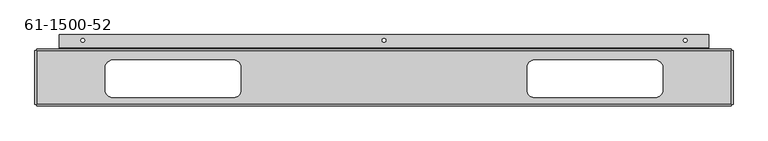
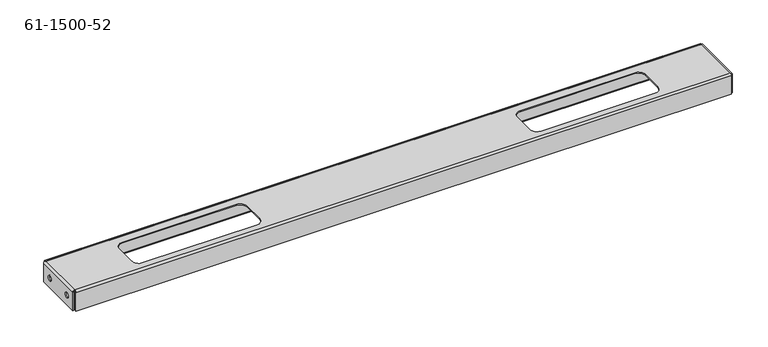
"""IFC4 building model written with IfcOpenShell, lengths in millimetres: proxy geometry, 61-1500-52."""

from ifc_helpers import new_model, si_unit, frame, origin, place, context, project, spatial, polyline, circle_curve, source, transform, mapped, element, save
from ifc_brep_helpers import plane_surface, cylinder_surface, revolved_surface, advanced_brep


def proxy_61_1500_52_210c84d2(model_context):
    return source(origin(), model_context, "Body", "AdvancedBrep", [
        advanced_brep(
        [(0.0, -22.2758, -23.34006), (1.6129, -22.2758, -23.34006), (1.6129, -22.2758, -13.81506), (0.0, -22.2758, -13.81506), (1175.78378, -22.2758, -23.34006), (1177.39668, -22.2758, -23.34006), (1177.39668, -22.2758, -13.81506), (1175.78378, -22.2758, -13.81506), (0.0, -74.5617, -23.34006), (1.6129, -74.5617, -23.34006), (1.6129, -74.5617, -13.81506), (0.0, -74.5617, -13.81506), (1175.78378, -74.5617, -23.34006), (1177.39668, -74.5617, -23.34006), (1177.39668, -74.5617, -13.81506), (1175.78378, -74.5617, -13.81506), (1099.87334, 14.2621, -36.4871), (1099.87334, 14.2621, -34.8742), (1093.52334, 14.2621, -34.8742), (1093.52334, 14.2621, -36.4871), (83.87334, 14.2621, -36.4871), (83.87334, 14.2621, -34.8742), (77.52334, 14.2621, -34.8742), (77.52334, 14.2621, -36.4871), (591.87334, 14.2621, -36.4871), (591.87334, 14.2621, -34.8742), (585.52334, 14.2621, -34.8742), (585.52334, 14.2621, -36.4871), (131.49834, -18.9611, 0.0), (334.69834, -18.9611, 0.0), (334.69834, -18.9611, 1.6129), (131.49834, -18.9611, 1.6129), (118.79834, -31.6611, 0.0), (118.79834, -31.6611, 1.6129), (118.79834, -69.7611, 0.0), (118.79834, -69.7611, 1.6129), (131.49834, -82.4611, 0.0), (131.49834, -82.4611, 1.6129), (334.69834, -82.4611, 0.0), (334.69834, -82.4611, 1.6129), (347.39834, -69.7611, 0.0), (347.39834, -69.7611, 1.6129), (347.39834, -31.6611, 0.0), (347.39834, -31.6611, 1.6129), (842.69834, -18.9611, 0.0), (1045.89834, -18.9611, 0.0), (1045.89834, -18.9611, 1.6129), (842.69834, -18.9611, 1.6129), (829.99834, -31.6611, 0.0), (829.99834, -31.6611, 1.6129), (829.99834, -69.7611, 0.0), (829.99834, -69.7611, 1.6129), (842.69834, -82.4611, 0.0), (842.69834, -82.4611, 1.6129), (1045.89834, -82.4611, 0.0), (1045.89834, -82.4611, 1.6129), (1058.59834, -69.7611, 0.0), (1058.59834, -69.7611, 1.6129), (1058.59834, -31.6611, 0.0), (1058.59834, -31.6611, 1.6129), (41.3258, 1.6129, -36.4871), (1136.07088, 1.6129, -36.4871), (1136.07088, -1.6129, -33.2613), (41.3258, -1.6129, -33.2613), (1136.07088, 1.6129, -34.8742), (41.3258, 1.6129, -34.8742), (41.3258, 0.0, -33.2613), (1136.07088, 0.0, -33.2613), (3.2258, -1.6129, -33.2613), (3.2258, 0.0, -33.2613), (1174.17088, 0.0, -33.2613), (1174.17088, -1.6129, -33.2613), (1174.17088, 0.0, -1.6129), (1174.17088, -3.2258, 1.6129), (1174.17088, -3.2258, 0.0), (1174.17088, -1.6129, -1.6129), (3.2258, -1.6129, -1.6129), (3.2258, 0.0, -1.6129), (1174.17088, -96.8375, -36.4871), (1174.17088, -96.8375, -1.6129), (3.2258, -96.8375, -1.6129), (3.2258, -96.8375, -36.4871), (1174.17088, -95.2246, -36.4871), (3.2258, -95.2246, -36.4871), (1177.39668, -93.6117, -1.6129), (1177.39668, -3.2258, -1.6129), (1174.17088, -93.6117, 1.6129), (1175.78378, -3.2258, -1.6129), (1175.78378, -93.6117, -1.6129), (1174.17088, -93.6117, 0.0), (1174.17088, -95.2246, -1.6129), (3.2258, -3.2258, 0.0), (3.2258, -93.6117, 1.6129), (3.2258, -93.6117, 0.0), (0.0, -3.2258, -1.6129), (0.0, -93.6117, -1.6129), (3.2258, -3.2258, 1.6129), (1.6129, -93.6117, -1.6129), (1.6129, -3.2258, -1.6129), (3.2258, -95.2246, -1.6129), (0.0, -93.6117, -36.4871), (1.6129, -93.6117, -36.4871), (0.0, -3.2258, -36.4871), (1.6129, -3.2258, -36.4871), (1177.39668, -3.2258, -36.4871), (1175.78378, -3.2258, -36.4871), (1177.39668, -93.6117, -36.4871), (1175.78378, -93.6117, -36.4871), (1136.07088, 23.7871, -36.4871), (1136.07088, 23.7871, -34.8742), (41.3258, 23.7871, -36.4871), (41.3258, 23.7871, -34.8742)],
        [
            (0, 1),
            (1, 2, circle_curve(frame((1.6129, -22.2758, -18.57756), z_axis=(1.0, 0.0, 0.0), x_axis=(0.0, 0.0, -1.0)), 4.7625)),
            (2, 3),
            (3, 0, circle_curve(frame((0.0, -22.2758, -18.57756), z_axis=(-1.0, 0.0, 0.0), x_axis=(0.0, 0.0, -1.0)), 4.7625)),
            (4, 5),
            (5, 6, circle_curve(frame((1177.39668, -22.2758, -18.57756), z_axis=(1.0, 0.0, 0.0), x_axis=(0.0, 0.0, -1.0)), 4.7625)),
            (6, 7),
            (7, 4, circle_curve(frame((1175.78378, -22.2758, -18.57756), z_axis=(-1.0, 0.0, 0.0), x_axis=(0.0, 0.0, -1.0)), 4.7625)),
            (8, 9),
            (9, 10, circle_curve(frame((1.6129, -74.5617, -18.57756), z_axis=(1.0, 0.0, 0.0), x_axis=(0.0, 0.0, -1.0)), 4.7625)),
            (10, 11),
            (11, 8, circle_curve(frame((0.0, -74.5617, -18.57756), z_axis=(-1.0, 0.0, 0.0), x_axis=(0.0, 0.0, -1.0)), 4.7625)),
            (12, 13),
            (13, 14, circle_curve(frame((1177.39668, -74.5617, -18.57756), z_axis=(1.0, 0.0, 0.0), x_axis=(0.0, 0.0, -1.0)), 4.7625)),
            (14, 15),
            (15, 12, circle_curve(frame((1175.78378, -74.5617, -18.57756), z_axis=(-1.0, 0.0, 0.0), x_axis=(0.0, 0.0, -1.0)), 4.7625)),
            (16, 17),
            (17, 18, circle_curve(frame((1096.69834, 14.2621, -34.8742), z_axis=(0.0, 0.0, 1.0), x_axis=(1.0, 0.0, 0.0)), 3.175)),
            (18, 19),
            (19, 16, circle_curve(frame((1096.69834, 14.2621, -36.4871), z_axis=(0.0, 0.0, -1.0), x_axis=(1.0, 0.0, 0.0)), 3.175)),
            (20, 21),
            (21, 22, circle_curve(frame((80.69834, 14.2621, -34.8742), z_axis=(0.0, 0.0, 1.0), x_axis=(1.0, 0.0, 0.0)), 3.175)),
            (22, 23),
            (23, 20, circle_curve(frame((80.69834, 14.2621, -36.4871), z_axis=(0.0, 0.0, -1.0), x_axis=(1.0, 0.0, 0.0)), 3.175)),
            (24, 25),
            (25, 26, circle_curve(frame((588.69834, 14.2621, -34.8742), z_axis=(0.0, 0.0, 1.0), x_axis=(1.0, 0.0, 0.0)), 3.175)),
            (26, 27),
            (27, 24, circle_curve(frame((588.69834, 14.2621, -36.4871), z_axis=(0.0, 0.0, -1.0), x_axis=(1.0, 0.0, 0.0)), 3.175)),
            (24, 27, circle_curve(frame((588.69834, 14.2621, -36.4871), z_axis=(0.0, 0.0, -1.0), x_axis=(1.0, 0.0, 0.0)), 3.175)),
            (26, 25, circle_curve(frame((588.69834, 14.2621, -34.8742), z_axis=(0.0, 0.0, 1.0), x_axis=(1.0, 0.0, 0.0)), 3.175)),
            (20, 23, circle_curve(frame((80.69834, 14.2621, -36.4871), z_axis=(0.0, 0.0, -1.0), x_axis=(1.0, 0.0, 0.0)), 3.175)),
            (22, 21, circle_curve(frame((80.69834, 14.2621, -34.8742), z_axis=(0.0, 0.0, 1.0), x_axis=(1.0, 0.0, 0.0)), 3.175)),
            (16, 19, circle_curve(frame((1096.69834, 14.2621, -36.4871), z_axis=(0.0, 0.0, -1.0), x_axis=(1.0, 0.0, 0.0)), 3.175)),
            (18, 17, circle_curve(frame((1096.69834, 14.2621, -34.8742), z_axis=(0.0, 0.0, 1.0), x_axis=(1.0, 0.0, 0.0)), 3.175)),
            (28, 29),
            (29, 30),
            (30, 31),
            (31, 28),
            (32, 28, circle_curve(frame((131.49834, -31.6611, 0.0), z_axis=(0.0, 0.0, -1.0), x_axis=(0.0, -1.0, 0.0)), 12.7)),
            (31, 33, circle_curve(frame((131.49834, -31.6611, 1.6129), z_axis=(0.0, 0.0, 1.0), x_axis=(0.0, -1.0, 0.0)), 12.7)),
            (33, 32),
            (34, 32),
            (33, 35),
            (35, 34),
            (36, 34, circle_curve(frame((131.49834, -69.7611, 0.0), z_axis=(0.0, 0.0, -1.0), x_axis=(1.0, 0.0, 0.0)), 12.7)),
            (35, 37, circle_curve(frame((131.49834, -69.7611, 1.6129), z_axis=(0.0, 0.0, 1.0), x_axis=(1.0, 0.0, 0.0)), 12.7)),
            (37, 36),
            (38, 36),
            (37, 39),
            (39, 38),
            (40, 38, circle_curve(frame((334.69834, -69.7611, 0.0), z_axis=(0.0, 0.0, -1.0), x_axis=(0.0, 1.0, 0.0)), 12.7)),
            (39, 41, circle_curve(frame((334.69834, -69.7611, 1.6129), z_axis=(0.0, 0.0, 1.0), x_axis=(0.0, 1.0, 0.0)), 12.7)),
            (41, 40),
            (42, 40),
            (41, 43),
            (43, 42),
            (29, 42, circle_curve(frame((334.69834, -31.6611, 0.0), z_axis=(0.0, 0.0, -1.0), x_axis=(-1.0, 0.0, 0.0)), 12.7)),
            (43, 30, circle_curve(frame((334.69834, -31.6611, 1.6129), z_axis=(0.0, 0.0, 1.0), x_axis=(-1.0, 0.0, 0.0)), 12.7)),
            (44, 45),
            (45, 46),
            (46, 47),
            (47, 44),
            (48, 44, circle_curve(frame((842.69834, -31.6611, 0.0), z_axis=(0.0, 0.0, -1.0), x_axis=(0.0, -1.0, 0.0)), 12.7)),
            (47, 49, circle_curve(frame((842.69834, -31.6611, 1.6129), z_axis=(0.0, 0.0, 1.0), x_axis=(0.0, -1.0, 0.0)), 12.7)),
            (49, 48),
            (50, 48),
            (49, 51),
            (51, 50),
            (52, 50, circle_curve(frame((842.69834, -69.7611, 0.0), z_axis=(0.0, 0.0, -1.0), x_axis=(1.0, 0.0, 0.0)), 12.7)),
            (51, 53, circle_curve(frame((842.69834, -69.7611, 1.6129), z_axis=(0.0, 0.0, 1.0), x_axis=(1.0, 0.0, 0.0)), 12.7)),
            (53, 52),
            (54, 52),
            (53, 55),
            (55, 54),
            (56, 54, circle_curve(frame((1045.89834, -69.7611, 0.0), z_axis=(0.0, 0.0, -1.0), x_axis=(0.0, 1.0, 0.0)), 12.7)),
            (55, 57, circle_curve(frame((1045.89834, -69.7611, 1.6129), z_axis=(0.0, 0.0, 1.0), x_axis=(0.0, 1.0, 0.0)), 12.7)),
            (57, 56),
            (58, 56),
            (57, 59),
            (59, 58),
            (45, 58, circle_curve(frame((1045.89834, -31.6611, 0.0), z_axis=(0.0, 0.0, -1.0), x_axis=(-1.0, 0.0, 0.0)), 12.7)),
            (59, 46, circle_curve(frame((1045.89834, -31.6611, 1.6129), z_axis=(0.0, 0.0, 1.0), x_axis=(-1.0, 0.0, 0.0)), 12.7)),
            (12, 15, circle_curve(frame((1175.78378, -74.5617, -18.57756), z_axis=(-1.0, 0.0, 0.0), x_axis=(0.0, 0.0, -1.0)), 4.7625)),
            (14, 13, circle_curve(frame((1177.39668, -74.5617, -18.57756), z_axis=(1.0, 0.0, 0.0), x_axis=(0.0, 0.0, -1.0)), 4.7625)),
            (8, 11, circle_curve(frame((0.0, -74.5617, -18.57756), z_axis=(-1.0, 0.0, 0.0), x_axis=(0.0, 0.0, -1.0)), 4.7625)),
            (10, 9, circle_curve(frame((1.6129, -74.5617, -18.57756), z_axis=(1.0, 0.0, 0.0), x_axis=(0.0, 0.0, -1.0)), 4.7625)),
            (4, 7, circle_curve(frame((1175.78378, -22.2758, -18.57756), z_axis=(-1.0, 0.0, 0.0), x_axis=(0.0, 0.0, -1.0)), 4.7625)),
            (6, 5, circle_curve(frame((1177.39668, -22.2758, -18.57756), z_axis=(1.0, 0.0, 0.0), x_axis=(0.0, 0.0, -1.0)), 4.7625)),
            (0, 3, circle_curve(frame((0.0, -22.2758, -18.57756), z_axis=(-1.0, 0.0, 0.0), x_axis=(0.0, 0.0, -1.0)), 4.7625)),
            (2, 1, circle_curve(frame((1.6129, -22.2758, -18.57756), z_axis=(1.0, 0.0, 0.0), x_axis=(0.0, 0.0, -1.0)), 4.7625)),
            (60, 61),
            (61, 62, circle_curve(frame((1136.07088, 1.6129, -33.2613), z_axis=(-1.0, 0.0, 0.0), x_axis=(0.0, -1.0, 0.0)), 3.2258)),
            (62, 63),
            (63, 60, circle_curve(frame((41.3258, 1.6129, -33.2613), z_axis=(1.0, 0.0, 0.0), x_axis=(0.0, -1.0, 0.0)), 3.2258)),
            (64, 65),
            (65, 66, circle_curve(frame((41.3258, 1.6129, -33.2613), z_axis=(-1.0, 0.0, 0.0), x_axis=(0.0, -1.0, 0.0)), 1.6129)),
            (66, 67),
            (67, 64, circle_curve(frame((1136.07088, 1.6129, -33.2613), z_axis=(1.0, 0.0, 0.0), x_axis=(0.0, -1.0, 0.0)), 1.6129)),
            (66, 63),
            (63, 68),
            (68, 69),
            (69, 66),
            (62, 67),
            (67, 70),
            (70, 71),
            (71, 62),
            (70, 72),
            (72, 73, circle_curve(frame((1174.17088, -3.2258, -1.6129), z_axis=(1.0, 0.0, 0.0), x_axis=(0.0, 0.0, 1.0)), 3.2258)),
            (73, 74),
            (74, 75, circle_curve(frame((1174.17088, -3.2258, -1.6129), z_axis=(-1.0, 0.0, 0.0), x_axis=(0.0, 0.0, 1.0)), 1.6129)),
            (75, 71),
            (75, 76),
            (76, 68),
            (69, 77),
            (77, 72),
            (78, 79),
            (79, 80),
            (80, 81),
            (81, 78),
            (82, 78),
            (81, 83),
            (83, 82),
            (84, 85),
            (85, 73, circle_curve(frame((1174.17088, -3.2258, -1.6129), z_axis=(0.0, -1.0, 0.0), x_axis=(0.0, 0.0, 1.0)), 3.2258)),
            (73, 86),
            (86, 84, circle_curve(frame((1174.17088, -93.6117, -1.6129), z_axis=(0.0, 1.0, 0.0), x_axis=(0.0, 0.0, 1.0)), 3.2258)),
            (87, 88),
            (88, 89, circle_curve(frame((1174.17088, -93.6117, -1.6129), z_axis=(0.0, -1.0, 0.0), x_axis=(0.0, 0.0, 1.0)), 1.6129)),
            (89, 74),
            (74, 87, circle_curve(frame((1174.17088, -3.2258, -1.6129), z_axis=(0.0, 1.0, 0.0), x_axis=(0.0, 0.0, 1.0)), 1.6129)),
            (89, 86),
            (86, 79, circle_curve(frame((1174.17088, -93.6117, -1.6129), z_axis=(1.0, 0.0, 0.0), x_axis=(0.0, 0.0, 1.0)), 3.2258)),
            (82, 90),
            (90, 89, circle_curve(frame((1174.17088, -93.6117, -1.6129), z_axis=(-1.0, 0.0, 0.0), x_axis=(0.0, 0.0, 1.0)), 1.6129)),
            (74, 91),
            (91, 76, circle_curve(frame((3.2258, -3.2258, -1.6129), z_axis=(-1.0, 0.0, 0.0), x_axis=(0.0, 0.0, 1.0)), 1.6129)),
            (86, 92),
            (92, 80, circle_curve(frame((3.2258, -93.6117, -1.6129), z_axis=(1.0, 0.0, 0.0), x_axis=(0.0, 0.0, 1.0)), 3.2258)),
            (89, 93),
            (93, 91),
            (94, 95),
            (95, 92, circle_curve(frame((3.2258, -93.6117, -1.6129), z_axis=(0.0, 1.0, 0.0), x_axis=(0.0, 0.0, 1.0)), 3.2258)),
            (92, 96),
            (96, 94, circle_curve(frame((3.2258, -3.2258, -1.6129), z_axis=(0.0, -1.0, 0.0), x_axis=(0.0, 0.0, 1.0)), 3.2258)),
            (97, 98),
            (98, 91, circle_curve(frame((3.2258, -3.2258, -1.6129), z_axis=(0.0, 1.0, 0.0), x_axis=(0.0, 0.0, 1.0)), 1.6129)),
            (93, 97, circle_curve(frame((3.2258, -93.6117, -1.6129), z_axis=(0.0, -1.0, 0.0), x_axis=(0.0, 0.0, 1.0)), 1.6129)),
            (91, 96),
            (96, 77, circle_curve(frame((3.2258, -3.2258, -1.6129), z_axis=(-1.0, 0.0, 0.0), x_axis=(0.0, 0.0, 1.0)), 3.2258)),
            (92, 93),
            (93, 99, circle_curve(frame((3.2258, -93.6117, -1.6129), z_axis=(1.0, 0.0, 0.0), x_axis=(0.0, 0.0, 1.0)), 1.6129)),
            (99, 83),
            (96, 73),
            (90, 99),
            (95, 100),
            (100, 101),
            (101, 97),
            (94, 102),
            (102, 100),
            (98, 103),
            (103, 102),
            (103, 101),
            (85, 104),
            (104, 105),
            (105, 87),
            (84, 106),
            (106, 104),
            (88, 107),
            (107, 106),
            (107, 105),
            (61, 108),
            (108, 109),
            (109, 64),
            (60, 110),
            (110, 108),
            (65, 111),
            (111, 110),
            (111, 109),
        ],
        [
            revolved_surface(polyline([(1.6129000000000007, -22.2758, -23.340059999999998), (0.0, -22.2758, -23.340059999999998)]), (-6.7759621, -22.2758, -18.57756), (1.0, 0.0, 0.0)),
            revolved_surface(polyline([(1177.39668, -22.2758, -23.340059999999998), (1175.78378, -22.2758, -23.340059999999998)]), (-6.7759621, -22.2758, -18.57756), (1.0, 0.0, 0.0)),
            revolved_surface(polyline([(1.6129000000000007, -74.5617, -23.340059999999998), (0.0, -74.5617, -23.340059999999998)]), (-6.7759621, -74.5617, -18.57756), (1.0, 0.0, 0.0)),
            revolved_surface(polyline([(1177.39668, -74.5617, -23.340059999999998), (1175.78378, -74.5617, -23.340059999999998)]), (-6.7759621, -74.5617, -18.57756), (1.0, 0.0, 0.0)),
            revolved_surface(polyline([(1099.8733399999999, 14.2621, -34.8742), (1099.8733399999999, 14.2621, -36.4871)]), (1096.69834, 14.2621, -44.3992), (0.0, 0.0, 1.0)),
            revolved_surface(polyline([(83.87334, 14.2621, -34.8742), (83.87334, 14.2621, -36.4871)]), (80.69834, 14.2621, -44.3992), (0.0, 0.0, 1.0)),
            revolved_surface(polyline([(591.87334, 14.2621, -34.8742), (591.87334, 14.2621, -36.4871)]), (588.69834, 14.2621, -44.3992), (0.0, 0.0, 1.0)),
            plane_surface(frame((233.09834, -18.9611, 1.6129), z_axis=(0.0, -1.0, 0.0), x_axis=(0.0, 0.0, 1.0))),
            revolved_surface(polyline([(131.49834, -44.3611, 0.0), (131.49834, -44.3611, 1.6129)]), (131.49834, -31.6611, 1.6129), (0.0, 0.0, -1.0)),
            plane_surface(frame((118.79834, -31.6611, 1.6129), z_axis=(1.0, 0.0, 0.0), x_axis=(0.0, 0.0, 1.0))),
            revolved_surface(polyline([(144.19834, -69.7611, 0.0), (144.19834, -69.7611, 1.6129)]), (131.49834, -69.7611, 1.6129), (0.0, 0.0, -1.0)),
            plane_surface(frame((131.49834, -82.4611, 1.6129), z_axis=(0.0, 1.0, 0.0), x_axis=(0.0, 0.0, -1.0))),
            revolved_surface(polyline([(334.69834, -57.061099999999996, 0.0), (334.69834, -57.061099999999996, 1.6129)]), (334.69834, -69.7611, 1.6129), (0.0, 0.0, -1.0)),
            plane_surface(frame((347.39834, -69.7611, 1.6129), z_axis=(-1.0, 0.0, 0.0), x_axis=(0.0, 0.0, -1.0))),
            revolved_surface(polyline([(321.99834, -31.6611, 0.0), (321.99834, -31.6611, 1.6129)]), (334.69834, -31.6611, 1.6129), (0.0, 0.0, -1.0)),
            plane_surface(frame((944.29834, -18.9611, 1.6129), z_axis=(0.0, -1.0, 0.0), x_axis=(0.0, 0.0, 1.0))),
            revolved_surface(polyline([(842.69834, -44.3611, 0.0), (842.69834, -44.3611, 1.6129)]), (842.69834, -31.6611, 1.6129), (0.0, 0.0, -1.0)),
            plane_surface(frame((829.99834, -31.6611, 1.6129), z_axis=(1.0, 0.0, 0.0), x_axis=(0.0, 0.0, 1.0))),
            revolved_surface(polyline([(855.3983400000001, -69.7611, 0.0), (855.3983400000001, -69.7611, 1.6129)]), (842.69834, -69.7611, 1.6129), (0.0, 0.0, -1.0)),
            plane_surface(frame((842.69834, -82.4611, 1.6129), z_axis=(0.0, 1.0, 0.0), x_axis=(0.0, 0.0, -1.0))),
            revolved_surface(polyline([(1045.89834, -57.061099999999996, 0.0), (1045.89834, -57.061099999999996, 1.6129)]), (1045.89834, -69.7611, 1.6129), (0.0, 0.0, -1.0)),
            plane_surface(frame((1058.59834, -69.7611, 1.6129), z_axis=(-1.0, 0.0, 0.0), x_axis=(0.0, 0.0, -1.0))),
            revolved_surface(polyline([(1033.19834, -31.6611, 0.0), (1033.19834, -31.6611, 1.6129)]), (1045.89834, -31.6611, 1.6129), (0.0, 0.0, -1.0)),
            cylinder_surface(frame((588.69834, 1.6129, -33.2613), z_axis=(1.0, 0.0, 0.0), x_axis=(0.0, -1.0, 0.0)), 3.2258),
            revolved_surface(polyline([(1136.07088, 0.0, -33.2613), (41.32579999999996, 0.0, -33.2613)]), (588.69834, 1.6129, -33.2613), (1.0, 0.0, 0.0)),
            plane_surface(frame((1136.07088, -1.6129, -33.2613), z_axis=(0.0, 0.0, -1.0), x_axis=(1.0, 0.0, 0.0))),
            plane_surface(frame((1174.17088, -3.2258, 1.6129), z_axis=(1.0, 0.0, 0.0), x_axis=(0.0, 0.0, 1.0))),
            plane_surface(frame((588.69834, -1.6129, -17.4371), z_axis=(0.0, -1.0, 0.0), x_axis=(0.0, 0.0, 1.0))),
            plane_surface(frame((588.69834, 0.0, -17.4371), z_axis=(0.0, 1.0, 0.0), x_axis=(0.0, 0.0, 1.0))),
            plane_surface(frame((588.69834, -96.8375, -17.4371), z_axis=(0.0, -1.0, 0.0), x_axis=(0.0, 0.0, 1.0))),
            plane_surface(frame((0.0, -96.8375, -36.4871), z_axis=(0.0, 0.0, -1.0), x_axis=(-1.0, 0.0, 0.0))),
            cylinder_surface(frame((1174.17088, -48.41875, -1.6129), z_axis=(0.0, 1.0, 0.0), x_axis=(0.0, 0.0, 1.0)), 3.2258),
            revolved_surface(polyline([(1174.17088, -3.2257999999999996, 0.0), (1174.17088, -93.6117, 0.0)]), (1174.17088, -48.41875, -1.6129), (0.0, 1.0, 0.0)),
            revolved_surface(polyline([(3.2258000000000493, -3.2258, 0.0), (1174.17088, -3.2258, 0.0)]), (588.69834, -3.2258, -1.6129), (-1.0, 0.0, 0.0)),
            cylinder_surface(frame((588.69834, -93.6117, -1.6129), z_axis=(1.0, 0.0, 0.0), x_axis=(0.0, 0.0, 1.0)), 3.2258),
            plane_surface(frame((588.69834, -48.41875, 0.0), z_axis=(0.0, 0.0, -1.0), x_axis=(1.0, 0.0, 0.0))),
            cylinder_surface(frame((3.2258, -48.41875, -1.6129), z_axis=(0.0, -1.0, 0.0), x_axis=(0.0, 0.0, 1.0)), 3.2258),
            revolved_surface(polyline([(3.2258, -93.6117, 0.0), (3.2258, -3.2257999999999996, 0.0)]), (3.2258, -48.41875, -1.6129), (0.0, -1.0, 0.0)),
            plane_surface(frame((3.2258, -93.6117, 1.6129), z_axis=(-1.0, 0.0, 0.0), x_axis=(0.0, 0.0, -1.0))),
            cylinder_surface(frame((588.69834, -3.2258, -1.6129), z_axis=(-1.0, 0.0, 0.0), x_axis=(0.0, 0.0, 1.0)), 3.2258),
            revolved_surface(polyline([(1174.17088, -93.6117, 0.0), (3.2258000000000493, -93.6117, 0.0)]), (588.69834, -93.6117, -1.6129), (1.0, 0.0, 0.0)),
            plane_surface(frame((588.69834, -48.41875, 1.6129), z_axis=(0.0, 0.0, 1.0), x_axis=(1.0, 0.0, 0.0))),
            plane_surface(frame((588.69834, -95.2246, -17.4371), z_axis=(0.0, 1.0, 0.0), x_axis=(0.0, 0.0, 1.0))),
            plane_surface(frame((0.0, -93.6117, -36.4871), z_axis=(0.0, -1.0, 0.0), x_axis=(0.0, 0.0, -1.0))),
            plane_surface(frame((0.0, -48.41875, -17.4371), z_axis=(-1.0, 0.0, 0.0), x_axis=(0.0, 0.0, -1.0))),
            plane_surface(frame((0.0, -3.2258, 1.6129), z_axis=(0.0, 1.0, 0.0), x_axis=(0.0, 0.0, 1.0))),
            plane_surface(frame((0.0, -3.2258, -36.4871), z_axis=(0.0, 0.0, -1.0), x_axis=(-1.0, 0.0, 0.0))),
            plane_surface(frame((1.6129, -48.41875, -17.4371), z_axis=(1.0, 0.0, 0.0), x_axis=(0.0, 0.0, -1.0))),
            plane_surface(frame((1177.39668, -3.2258, -36.4871), z_axis=(0.0, 1.0, 0.0), x_axis=(0.0, 0.0, 1.0))),
            plane_surface(frame((1177.39668, -48.41875, -17.4371), z_axis=(1.0, 0.0, 0.0), x_axis=(0.0, 0.0, -1.0))),
            plane_surface(frame((1177.39668, -93.6117, 1.6129), z_axis=(0.0, -1.0, 0.0), x_axis=(0.0, 0.0, -1.0))),
            plane_surface(frame((1177.39668, -93.6117, -36.4871), z_axis=(0.0, 0.0, -1.0), x_axis=(-1.0, 0.0, 0.0))),
            plane_surface(frame((1175.78378, -48.41875, -17.4371), z_axis=(-1.0, 0.0, 0.0), x_axis=(0.0, 0.0, -1.0))),
            plane_surface(frame((1136.07088, 23.7871, -36.4871), z_axis=(1.0, 0.0, 0.0), x_axis=(0.0, 0.0, -1.0))),
            plane_surface(frame((588.69834, 11.0871, -36.4871), z_axis=(0.0, 0.0, -1.0), x_axis=(1.0, 0.0, 0.0))),
            plane_surface(frame((41.3258, -1.6129, -36.4871), z_axis=(-1.0, 0.0, 0.0), x_axis=(0.0, 0.0, 1.0))),
            plane_surface(frame((41.3258, 23.7871, -36.4871), z_axis=(0.0, 1.0, 0.0), x_axis=(0.0, 0.0, 1.0))),
            plane_surface(frame((588.69834, 11.0871, -34.8742), z_axis=(0.0, 0.0, 1.0), x_axis=(1.0, 0.0, 0.0))),
        ],
        [
            (0, [[1, 2, 3, 4]]),
            (1, [[5, 6, 7, 8]]),
            (2, [[9, 10, 11, 12]]),
            (3, [[13, 14, 15, 16]]),
            (4, [[17, 18, 19, 20]]),
            (5, [[21, 22, 23, 24]]),
            (6, [[25, 26, 27, 28]]),
            (6, [[-25, 29, -27, 30]]),
            (5, [[-21, 31, -23, 32]]),
            (4, [[-17, 33, -19, 34]]),
            (7, [[35, 36, 37, 38]]),
            (8, [[39, -38, 40, 41]]),
            (9, [[42, -41, 43, 44]]),
            (10, [[45, -44, 46, 47]]),
            (11, [[48, -47, 49, 50]]),
            (12, [[51, -50, 52, 53]]),
            (13, [[54, -53, 55, 56]]),
            (14, [[57, -56, 58, -36]]),
            (15, [[59, 60, 61, 62]]),
            (16, [[63, -62, 64, 65]]),
            (17, [[66, -65, 67, 68]]),
            (18, [[69, -68, 70, 71]]),
            (19, [[72, -71, 73, 74]]),
            (20, [[75, -74, 76, 77]]),
            (21, [[78, -77, 79, 80]]),
            (22, [[81, -80, 82, -60]]),
            (3, [[-13, 83, -15, 84]]),
            (2, [[-9, 85, -11, 86]]),
            (1, [[-5, 87, -7, 88]]),
            (0, [[-1, 89, -3, 90]]),
            (23, [[91, 92, 93, 94]]),
            (24, [[95, 96, 97, 98]]),
            (25, [[99, 100, 101, 102]]),
            (25, [[103, 104, 105, 106]]),
            (26, [[-105, 107, 108, 109, 110, 111]]),
            (27, [[-100, -93, -106, -111, 112, 113]]),
            (28, [[-104, -97, -102, 114, 115, -107]]),
            (29, [[116, 117, 118, 119]]),
            (30, [[120, -119, 121, 122]]),
            (31, [[123, 124, 125, 126]]),
            (32, [[127, 128, 129, 130]]),
            (26, [[131, 132, -116, -120, 133, 134]]),
            (33, [[-110, 135, 136, -112]]),
            (34, [[-132, 137, 138, -117]]),
            (35, [[-129, 139, 140, -135], [-35, -39, -42, -45, -48, -51, -54, -57], [-59, -63, -66, -69, -72, -75, -78, -81]]),
            (36, [[141, 142, 143, 144]]),
            (37, [[145, 146, -140, 147]]),
            (38, [[-101, -113, -136, 148, 149, -114]]),
            (38, [[150, 151, 152, -121, -118, -138]]),
            (39, [[-108, -115, -149, 153]]),
            (40, [[-134, 154, -151, -139]]),
            (41, [[-125, -153, -143, -137], [-37, -58, -55, -52, -49, -46, -43, -40], [-61, -82, -79, -76, -73, -70, -67, -64]]),
            (42, [[-133, -122, -152, -154]]),
            (43, [[155, 156, 157, -147, -150, -142]]),
            (44, [[-141, 158, 159, -155], [-85, -12], [-89, -4]]),
            (45, [[160, 161, -158, -144, -148, -146]]),
            (46, [[162, -156, -159, -161]]),
            (47, [[-145, -157, -162, -160], [-2, -90], [-10, -86]]),
            (48, [[163, 164, 165, -130, -109, -124]]),
            (49, [[-123, 166, 167, -163], [-84, -14], [-88, -6]]),
            (50, [[168, 169, -166, -126, -131, -128]]),
            (51, [[170, -164, -167, -169]]),
            (52, [[-127, -165, -170, -168], [-83, -16], [-87, -8]]),
            (53, [[171, 172, 173, -98, -103, -92]]),
            (54, [[-91, 174, 175, -171], [-29, -28], [-31, -24], [-33, -20]]),
            (55, [[176, 177, -174, -94, -99, -96]]),
            (56, [[178, -172, -175, -177]]),
            (57, [[-95, -173, -178, -176], [-30, -26], [-32, -22], [-34, -18]]),
        ],
    ),
    ])


if __name__ == "__main__":
    model = new_model("IFC4")
    model_context = context("Model", 3, world=origin())
    ifc_project = project(units=[si_unit("LENGTHUNIT", "METRE", prefix="MILLI")], contexts=[model_context])
    site = spatial("IfcSite", under=ifc_project)
    building = spatial("IfcBuilding", under=site)
    placement = place(None, origin())
    proxy_61_1500_52_shape = proxy_61_1500_52_210c84d2(model_context)
    element("IfcBuildingElementProxy", 1, Name="61-1500-52", ObjectType="61-1500-52", at=placement, inside=building, context=model_context, shape_type="MappedRepresentation", body=[
        mapped(proxy_61_1500_52_shape, transform((0.0, 0.0, 0.0), x_axis=(1.0, 0.0, 0.0), y_axis=(0.0, 1.0, 0.0), z_axis=(0.0, 0.0, 1.0))),
    ])
    save(model, "model.ifc")
